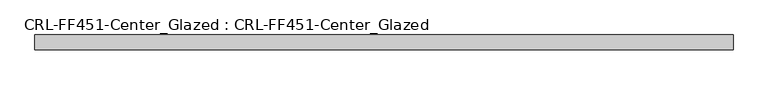
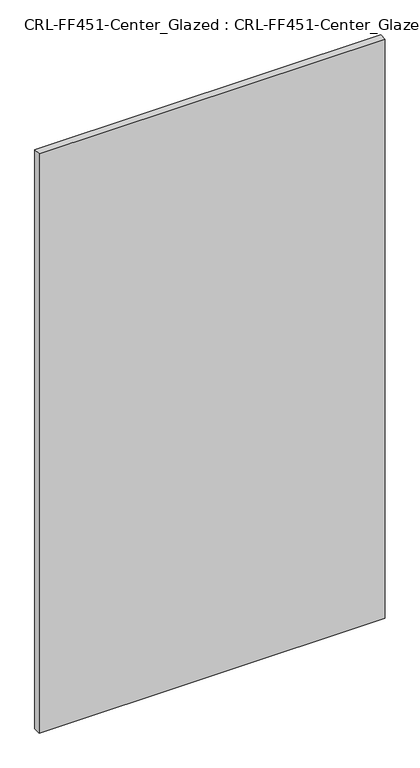
"""IFC4 building model written with IfcOpenShell, lengths in millimetres: plate geometry, CRL-FF451-Center_Glazed : CRL-FF451-Center_Glazed."""

from ifc_helpers import new_model, si_unit, origin, origin_with_axes, place, context, project, spatial, polyline, outline, extrude, source, transform, mapped, element, save


def crl_ff451_center_glazed_crl_ff451_center_glazed_f34dca1d(model_context):
    return source(origin(), model_context, "Body", "SweptSolid", [
        extrude(outline(polyline([(-597.9565746, -12.709956), (-597.9565746, 12.709956), (597.9565746, 12.709956), (597.9565746, -12.709956), (-597.9565746, -12.709956)])), origin_with_axes(), (0.0, 0.0, 1.0), 2115.3459841),
    ])


if __name__ == "__main__":
    model = new_model("IFC4")
    model_context = context("Model", 3, world=origin())
    ifc_project = project(units=[si_unit("LENGTHUNIT", "METRE", prefix="MILLI")], contexts=[model_context])
    site = spatial("IfcSite", under=ifc_project)
    building = spatial("IfcBuilding", under=site)
    placement = place(None, origin())
    crl_ff451_center_glazed_crl_ff451_center_glazed_shape = crl_ff451_center_glazed_crl_ff451_center_glazed_f34dca1d(model_context)
    element("IfcPlate", 1, ObjectType="CRL-FF451-Center_Glazed : CRL-FF451-Center_Glazed", at=placement, inside=building, context=model_context, shape_type="MappedRepresentation", body=[
        mapped(crl_ff451_center_glazed_crl_ff451_center_glazed_shape, transform((0.0, 0.0, 0.0), x_axis=(1.0, 0.0, 0.0), y_axis=(0.0, 1.0, 0.0), z_axis=(0.0, 0.0, 1.0))),
    ])
    save(model, "model.ifc")
